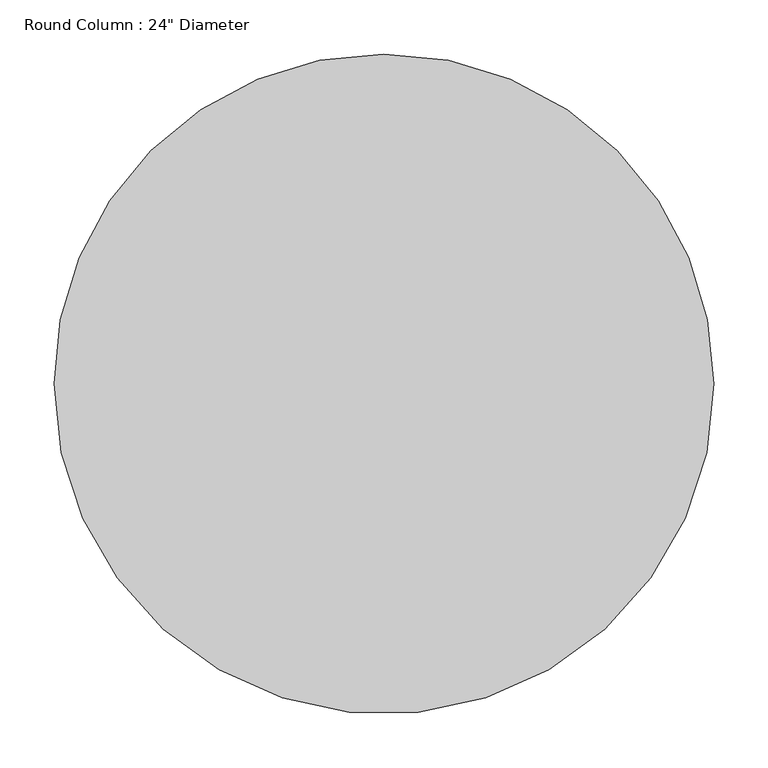
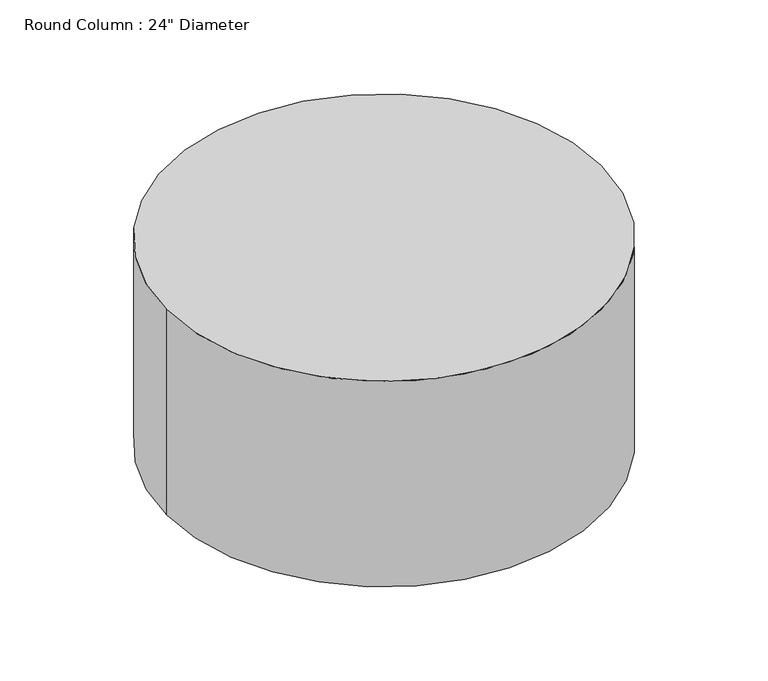
"""IFC4 building model written with IfcOpenShell, lengths in millimetres: column geometry."""

import ifcopenshell
import ifcopenshell.guid

model = None  # the IFC model being written
_history = None  # IfcOwnerHistory: only IFC2X3 demands one
_inside = {}  # id of a spatial element -> (the spatial element, [elements in it])
_under = {}  # id of a project, library or spatial element -> (it, [spatial elements below it])
_declared = {}  # id of a project -> (the project, [libraries it declares])
_typed = {}  # id of a type object -> (the type object, [elements of that type])
_made_of = {}  # id of a material, layer set ... -> (it, [elements and type objects made of it])


def new_model(schema):
    """Start an empty IFC model of exactly this schema.

    Asked for "IFC4X3", IfcOpenShell would pick the latest addendum, in which some entities
    have other attributes; the version numbers below select the first issue.
    IFC2X3 requires an IfcOwnerHistory on every rooted entity: one is made here for all.
    """
    global model, _history
    if schema == "IFC4X3":
        model = ifcopenshell.file(schema_version=(4, 3, 0, 0))
    else:
        model = ifcopenshell.file(schema=schema)
    _inside.clear()
    _under.clear()
    _declared.clear()
    _typed.clear()
    _made_of.clear()
    _history = None
    if model.schema == "IFC2X3":
        org = make("IfcOrganization", Name="unknown")
        user = make(
            "IfcPersonAndOrganization",
            ThePerson=make("IfcPerson", FamilyName="unknown"),
            TheOrganization=org,
        )
        app = make(
            "IfcApplication",
            ApplicationDeveloper=org,
            Version="unknown",
            ApplicationFullName="unknown",
            ApplicationIdentifier="unknown",
        )
        _history = make(
            "IfcOwnerHistory",
            OwningUser=user,
            OwningApplication=app,
            ChangeAction="ADDED",
            CreationDate=0,
        )
    return model


def make(cls, **values):
    """One entity of the class cls with the attributes given. An attribute that is None is left unset."""
    return model.create_entity(
        cls, **{name: value for name, value in values.items() if value is not None}
    )


def rooted(cls, **values):
    """An entity with a GlobalId (a new one), such as an element, a storey or a relation."""
    return make(cls, GlobalId=ifcopenshell.guid.new(), OwnerHistory=_history, **values)


def si_unit(unit_type, name, prefix=None):
    """IfcSIUnit, for example si_unit("LENGTHUNIT", "METRE", prefix="MILLI")."""
    return make("IfcSIUnit", UnitType=unit_type, Prefix=prefix, Name=name)


def assignment(units):
    """IfcUnitAssignment: the units of a project."""
    return None if units is None else make("IfcUnitAssignment", Units=units)


def point(xyz):
    """IfcCartesianPoint."""
    return None if xyz is None else make("IfcCartesianPoint", Coordinates=xyz)


def direction(xyz):
    """IfcDirection."""
    return None if xyz is None else make("IfcDirection", DirectionRatios=xyz)


def frame(location, z_axis=None, x_axis=None):
    """IfcAxis2Placement3D, a coordinate frame: its origin and axes. An axis left out is left unset."""
    return make(
        "IfcAxis2Placement3D",
        Location=point(location),
        Axis=direction(z_axis),
        RefDirection=direction(x_axis),
    )


def frame_2d(location, x_axis=None):
    """IfcAxis2Placement2D, a coordinate frame in the plane: its origin and x axis."""
    return make(
        "IfcAxis2Placement2D", Location=point(location), RefDirection=direction(x_axis)
    )


def origin():
    """The frame at (0, 0, 0) with its axes left unset."""
    return frame((0.0, 0.0, 0.0))


def origin_with_axes():
    """The frame at (0, 0, 0) with the z axis (0, 0, 1) and the x axis (1, 0, 0) written out."""
    return frame((0.0, 0.0, 0.0), z_axis=(0.0, 0.0, 1.0), x_axis=(1.0, 0.0, 0.0))


def origin_2d():
    """The frame at (0, 0) in the plane with its x axis left unset."""
    return frame_2d((0.0, 0.0))


def place(relative_to, where):
    """IfcLocalPlacement: puts the frame where relative to a parent placement (None: the world)."""
    return make(
        "IfcLocalPlacement", PlacementRelTo=relative_to, RelativePlacement=where
    )


def context(
    kind, dimensions, precision=None, world=None, true_north=None, identifier=None
):
    """IfcGeometricRepresentationContext, for example the 3D "Model" context."""
    return make(
        "IfcGeometricRepresentationContext",
        ContextIdentifier=identifier,
        ContextType=kind,
        CoordinateSpaceDimension=dimensions,
        Precision=precision,
        WorldCoordinateSystem=world,
        TrueNorth=true_north,
    )


def project(units=None, contexts=None):
    """IfcProject with its units and contexts."""
    return rooted(
        "IfcProject",
        Name="project",
        RepresentationContexts=contexts,
        UnitsInContext=assignment(units),
    )


def spatial(cls, under=None, at=None, **own):
    """A site, building, storey or space (cls), placed at a placement, below another one or the project."""
    s = rooted(cls, ObjectPlacement=at, **own)
    if under is not None:
        _under.setdefault(under.id(), (under, []))[1].append(s)
    return s


def circle_curve(where, radius):
    """IfcCircle in the frame where."""
    return make("IfcCircle", Position=where, Radius=radius)


def trimmed(basis, trim1, trim2, sense, master):
    """IfcTrimmedCurve: the piece of a basis curve between two trims."""
    return make(
        "IfcTrimmedCurve",
        BasisCurve=basis,
        Trim1=trim1,
        Trim2=trim2,
        SenseAgreement=sense,
        MasterRepresentation=master,
    )


def segment(curve, same_sense, transition):
    """IfcCompositeCurveSegment."""
    return make(
        "IfcCompositeCurveSegment",
        Transition=transition,
        SameSense=same_sense,
        ParentCurve=curve,
    )


def composite_curve(segments, self_intersect=None):
    """IfcCompositeCurve: segments joined end to end."""
    return make("IfcCompositeCurve", Segments=segments, SelfIntersect=self_intersect)


def outline(outer, holes=None, kind="AREA"):
    """IfcArbitraryClosedProfileDef: a profile drawn as a closed curve; with holes, ...WithVoids."""
    if holes is None:
        return make("IfcArbitraryClosedProfileDef", ProfileType=kind, OuterCurve=outer)
    return make(
        "IfcArbitraryProfileDefWithVoids",
        ProfileType=kind,
        OuterCurve=outer,
        InnerCurves=holes,
    )


def extrude(swept, where, along, depth):
    """IfcExtrudedAreaSolid: the profile swept, set in the frame where, extruded along a direction by depth."""
    return make(
        "IfcExtrudedAreaSolid",
        SweptArea=swept,
        Position=where,
        ExtrudedDirection=direction(along),
        Depth=depth,
    )


def shape(context_of_items, identifier, shape_type, items):
    """IfcShapeRepresentation: the items that make up one representation, for example the "Body"."""
    return make(
        "IfcShapeRepresentation",
        ContextOfItems=context_of_items,
        RepresentationIdentifier=identifier,
        RepresentationType=shape_type,
        Items=items,
    )


def source(mapping_origin, context_of_items, identifier, shape_type, items):
    """IfcRepresentationMap: a shape defined once, which mapped items show again and again."""
    return make(
        "IfcRepresentationMap",
        MappingOrigin=mapping_origin,
        MappedRepresentation=shape(context_of_items, identifier, shape_type, items),
    )


def transform(
    local_origin,
    x_axis=None,
    y_axis=None,
    z_axis=None,
    scale=None,
    scale2=None,
    scale3=None,
    uniform=True,
):
    """IfcCartesianTransformationOperator3D, or its non-uniform kind. x_axis, y_axis, z_axis: its Axis1, 2, 3."""
    if uniform:
        return make(
            "IfcCartesianTransformationOperator3D",
            Axis1=direction(x_axis),
            Axis2=direction(y_axis),
            LocalOrigin=point(local_origin),
            Scale=scale,
            Axis3=direction(z_axis),
        )
    return make(
        "IfcCartesianTransformationOperator3DnonUniform",
        Axis1=direction(x_axis),
        Axis2=direction(y_axis),
        LocalOrigin=point(local_origin),
        Scale=scale,
        Axis3=direction(z_axis),
        Scale2=scale2,
        Scale3=scale3,
    )


def mapped(mapping_source, mapping_target):
    """IfcMappedItem: shows the shape of a source again, moved by a transform."""
    return make(
        "IfcMappedItem", MappingSource=mapping_source, MappingTarget=mapping_target
    )


def made_of(thing, what):
    """Note that an element or type object is made of a material, layer set ...; save() writes the relation."""
    if what is not None:
        _made_of.setdefault(what.id(), (what, []))[1].append(thing)
    return thing


def element(
    cls,
    number,
    at=None,
    inside=None,
    cuts=None,
    type_object=None,
    material=None,
    context=None,
    identifier="Body",
    shape_type=None,
    held_by="IfcProductDefinitionShape",
    body=None,
    shapes=None,
    **own,
):
    """One element of the class cls, such as IfcWall. Its Tag is "e" and its number.

    at: its placement. inside: the storey or other place that contains it. cuts: it is an
    opening in that element (IfcRelVoidsElement). A single representation is given by context,
    identifier, shape_type and body (its items); several are given by shapes. held_by: the class
    of the entity that holds the representations. save() writes the other relations.
    """
    e = rooted(cls, Tag="e%d" % number, ObjectPlacement=at, **own)
    if body is not None:
        shapes = [shape(context, identifier, shape_type, body)]
    if shapes is not None:
        e.Representation = make(held_by, Representations=shapes)
    if inside is not None:
        _inside.setdefault(inside.id(), (inside, []))[1].append(e)
    if cuts is not None:
        rooted(
            "IfcRelVoidsElement", RelatingBuildingElement=cuts, RelatedOpeningElement=e
        )
    if type_object is not None:
        _typed.setdefault(type_object.id(), (type_object, []))[1].append(e)
    return made_of(e, material)


def aggregate(whole, parts):
    """IfcRelAggregates: a whole, such as a stair, and the parts it consists of."""
    return rooted("IfcRelAggregates", RelatingObject=whole, RelatedObjects=parts)


def save(model, path):
    """Write the relations noted so far, then the file.

    IfcRelAggregates (storeys below a building ...), IfcRelContainedInSpatialStructure (elements
    in a storey), IfcRelDefinesByType, IfcRelAssociatesMaterial and IfcRelDeclares: one each for
    every whole, place, type object, material and project.
    """
    for whole, parts in _under.values():
        aggregate(whole, parts)
    for where, things in _inside.values():
        rooted(
            "IfcRelContainedInSpatialStructure",
            RelatedElements=things,
            RelatingStructure=where,
        )
    for kind, things in _typed.values():
        rooted("IfcRelDefinesByType", RelatedObjects=things, RelatingType=kind)
    for what, things in _made_of.values():
        rooted("IfcRelAssociatesMaterial", RelatedObjects=things, RelatingMaterial=what)
    for by, libraries in _declared.values():
        rooted("IfcRelDeclares", RelatingContext=by, RelatedDefinitions=libraries)
    model.write(path)


def column_d6146a1b(model_context):
    return source(origin(), model_context, "Body", "SweptSolid", [
        extrude(outline(composite_curve([segment(trimmed(circle_curve(origin_2d(), 304.8), [point((304.8, 0.0))], [point((-304.8, 0.0))], False, "CARTESIAN"), True, "CONTINUOUS"), segment(trimmed(circle_curve(origin_2d(), 304.8), [point((-304.8, 0.0))], [point((0.0, 304.8))], False, "CARTESIAN"), True, "CONTINUOUS"), segment(trimmed(circle_curve(origin_2d(), 304.8), [point((0.0, 304.8))], [point((304.8, 0.0))], False, "CARTESIAN"), True, "CONTINUOUS")], self_intersect=False)), origin_with_axes(), (0.0, 0.0, 1.0), 304.8),
    ])


if __name__ == "__main__":
    model = new_model("IFC4")
    model_context = context("Model", 3, world=origin())
    ifc_project = project(units=[si_unit("LENGTHUNIT", "METRE", prefix="MILLI")], contexts=[model_context])
    site = spatial("IfcSite", under=ifc_project)
    building = spatial("IfcBuilding", under=site)
    placement = place(None, origin())
    column_shape = column_d6146a1b(model_context)
    element("IfcColumn", 1, ObjectType="Round Column : 24\" Diameter", at=placement, inside=building, context=model_context, shape_type="MappedRepresentation", body=[
        mapped(column_shape, transform((0.0, 0.0, 0.0), x_axis=(1.0, 0.0, 0.0), y_axis=(0.0, 1.0, 0.0), z_axis=(0.0, 0.0, 1.0))),
    ])
    save(model, "model.ifc")
